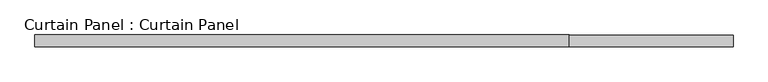
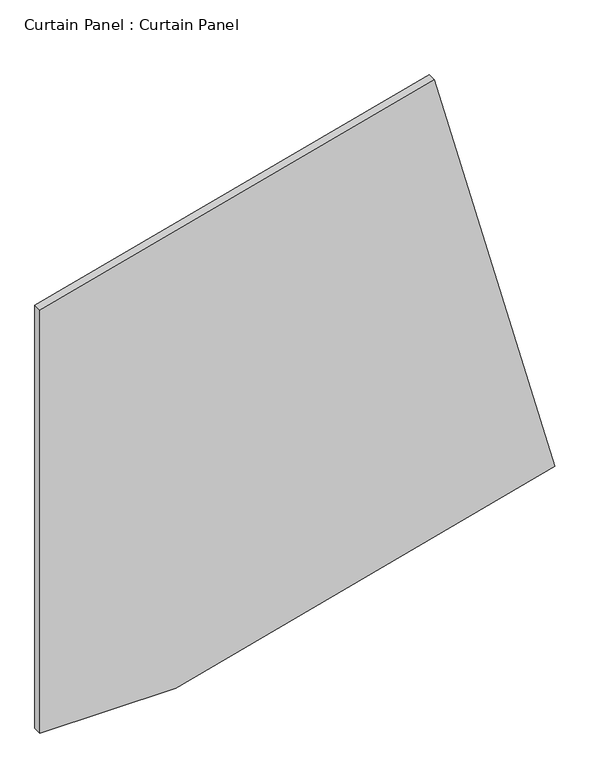
"""IFC4 building model written with IfcOpenShell, lengths in millimetres: plate geometry, Curtain Panel : Curtain Panel."""

from ifc_helpers import new_model, si_unit, frame, origin, place, context, project, spatial, polyline, outline, extrude, source, transform, mapped, element, save


def curtain_panel_curtain_panel_0baafeb0(model_context):
    return source(origin(), model_context, "Body", "SweptSolid", [
        extrude(outline(polyline([(543.710155, -2768.1987434), (1847.7100205, -3117.6044543), (1542.2558552, -4257.5749186), (250.0, -4257.5749186), (250.0, -3864.3399646), (543.710155, -2768.1987434)])), frame((0.0, -19301.6395763, 0.0), z_axis=(0.0, 1.0, 0.0), x_axis=(0.0, 0.0, 1.0)), (0.0, 0.0, 1.0), 25.0),
    ])


if __name__ == "__main__":
    model = new_model("IFC4")
    model_context = context("Model", 3, world=origin())
    ifc_project = project(units=[si_unit("LENGTHUNIT", "METRE", prefix="MILLI")], contexts=[model_context])
    site = spatial("IfcSite", under=ifc_project)
    building = spatial("IfcBuilding", under=site)
    placement = place(None, origin())
    curtain_panel_curtain_panel_shape = curtain_panel_curtain_panel_0baafeb0(model_context)
    element("IfcPlate", 1, ObjectType="Curtain Panel : Curtain Panel", at=placement, inside=building, context=model_context, shape_type="MappedRepresentation", body=[
        mapped(curtain_panel_curtain_panel_shape, transform((0.0, 0.0, 0.0), x_axis=(1.0, 0.0, 0.0), y_axis=(0.0, 1.0, 0.0), z_axis=(0.0, 0.0, 1.0))),
    ])
    save(model, "model.ifc")
